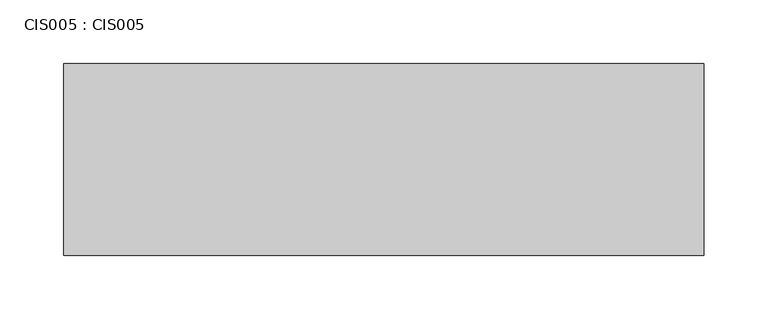
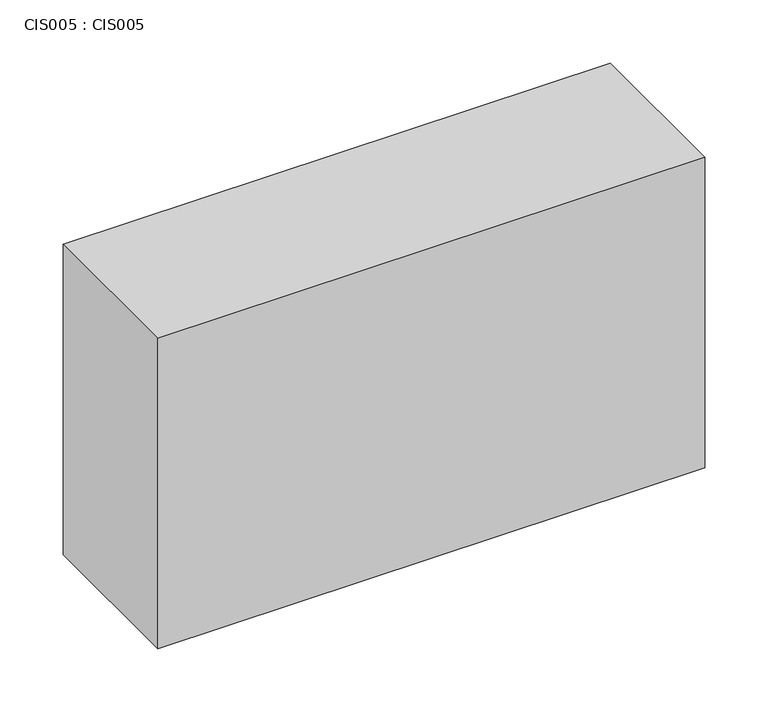
"""IFC4 building model written with IfcOpenShell, lengths in millimetres: proxy geometry, CIS005 : CIS005."""

import ifcopenshell
import ifcopenshell.guid

model = None  # the IFC model being written
_history = None  # IfcOwnerHistory: only IFC2X3 demands one
_inside = {}  # id of a spatial element -> (the spatial element, [elements in it])
_under = {}  # id of a project, library or spatial element -> (it, [spatial elements below it])
_declared = {}  # id of a project -> (the project, [libraries it declares])
_typed = {}  # id of a type object -> (the type object, [elements of that type])
_made_of = {}  # id of a material, layer set ... -> (it, [elements and type objects made of it])


def new_model(schema):
    """Start an empty IFC model of exactly this schema.

    Asked for "IFC4X3", IfcOpenShell would pick the latest addendum, in which some entities
    have other attributes; the version numbers below select the first issue.
    IFC2X3 requires an IfcOwnerHistory on every rooted entity: one is made here for all.
    """
    global model, _history
    if schema == "IFC4X3":
        model = ifcopenshell.file(schema_version=(4, 3, 0, 0))
    else:
        model = ifcopenshell.file(schema=schema)
    _inside.clear()
    _under.clear()
    _declared.clear()
    _typed.clear()
    _made_of.clear()
    _history = None
    if model.schema == "IFC2X3":
        org = make("IfcOrganization", Name="unknown")
        user = make(
            "IfcPersonAndOrganization",
            ThePerson=make("IfcPerson", FamilyName="unknown"),
            TheOrganization=org,
        )
        app = make(
            "IfcApplication",
            ApplicationDeveloper=org,
            Version="unknown",
            ApplicationFullName="unknown",
            ApplicationIdentifier="unknown",
        )
        _history = make(
            "IfcOwnerHistory",
            OwningUser=user,
            OwningApplication=app,
            ChangeAction="ADDED",
            CreationDate=0,
        )
    return model


def make(cls, **values):
    """One entity of the class cls with the attributes given. An attribute that is None is left unset."""
    return model.create_entity(
        cls, **{name: value for name, value in values.items() if value is not None}
    )


def rooted(cls, **values):
    """An entity with a GlobalId (a new one), such as an element, a storey or a relation."""
    return make(cls, GlobalId=ifcopenshell.guid.new(), OwnerHistory=_history, **values)


def si_unit(unit_type, name, prefix=None):
    """IfcSIUnit, for example si_unit("LENGTHUNIT", "METRE", prefix="MILLI")."""
    return make("IfcSIUnit", UnitType=unit_type, Prefix=prefix, Name=name)


def assignment(units):
    """IfcUnitAssignment: the units of a project."""
    return None if units is None else make("IfcUnitAssignment", Units=units)


def point(xyz):
    """IfcCartesianPoint."""
    return None if xyz is None else make("IfcCartesianPoint", Coordinates=xyz)


def direction(xyz):
    """IfcDirection."""
    return None if xyz is None else make("IfcDirection", DirectionRatios=xyz)


def frame(location, z_axis=None, x_axis=None):
    """IfcAxis2Placement3D, a coordinate frame: its origin and axes. An axis left out is left unset."""
    return make(
        "IfcAxis2Placement3D",
        Location=point(location),
        Axis=direction(z_axis),
        RefDirection=direction(x_axis),
    )


def origin():
    """The frame at (0, 0, 0) with its axes left unset."""
    return frame((0.0, 0.0, 0.0))


def origin_with_axes():
    """The frame at (0, 0, 0) with the z axis (0, 0, 1) and the x axis (1, 0, 0) written out."""
    return frame((0.0, 0.0, 0.0), z_axis=(0.0, 0.0, 1.0), x_axis=(1.0, 0.0, 0.0))


def place(relative_to, where):
    """IfcLocalPlacement: puts the frame where relative to a parent placement (None: the world)."""
    return make(
        "IfcLocalPlacement", PlacementRelTo=relative_to, RelativePlacement=where
    )


def context(
    kind, dimensions, precision=None, world=None, true_north=None, identifier=None
):
    """IfcGeometricRepresentationContext, for example the 3D "Model" context."""
    return make(
        "IfcGeometricRepresentationContext",
        ContextIdentifier=identifier,
        ContextType=kind,
        CoordinateSpaceDimension=dimensions,
        Precision=precision,
        WorldCoordinateSystem=world,
        TrueNorth=true_north,
    )


def project(units=None, contexts=None):
    """IfcProject with its units and contexts."""
    return rooted(
        "IfcProject",
        Name="project",
        RepresentationContexts=contexts,
        UnitsInContext=assignment(units),
    )


def spatial(cls, under=None, at=None, **own):
    """A site, building, storey or space (cls), placed at a placement, below another one or the project."""
    s = rooted(cls, ObjectPlacement=at, **own)
    if under is not None:
        _under.setdefault(under.id(), (under, []))[1].append(s)
    return s


def polyline(points):
    """IfcPolyline through the points."""
    return make("IfcPolyline", Points=[point(p) for p in points])


def outline(outer, holes=None, kind="AREA"):
    """IfcArbitraryClosedProfileDef: a profile drawn as a closed curve; with holes, ...WithVoids."""
    if holes is None:
        return make("IfcArbitraryClosedProfileDef", ProfileType=kind, OuterCurve=outer)
    return make(
        "IfcArbitraryProfileDefWithVoids",
        ProfileType=kind,
        OuterCurve=outer,
        InnerCurves=holes,
    )


def extrude(swept, where, along, depth):
    """IfcExtrudedAreaSolid: the profile swept, set in the frame where, extruded along a direction by depth."""
    return make(
        "IfcExtrudedAreaSolid",
        SweptArea=swept,
        Position=where,
        ExtrudedDirection=direction(along),
        Depth=depth,
    )


def shape(context_of_items, identifier, shape_type, items):
    """IfcShapeRepresentation: the items that make up one representation, for example the "Body"."""
    return make(
        "IfcShapeRepresentation",
        ContextOfItems=context_of_items,
        RepresentationIdentifier=identifier,
        RepresentationType=shape_type,
        Items=items,
    )


def source(mapping_origin, context_of_items, identifier, shape_type, items):
    """IfcRepresentationMap: a shape defined once, which mapped items show again and again."""
    return make(
        "IfcRepresentationMap",
        MappingOrigin=mapping_origin,
        MappedRepresentation=shape(context_of_items, identifier, shape_type, items),
    )


def transform(
    local_origin,
    x_axis=None,
    y_axis=None,
    z_axis=None,
    scale=None,
    scale2=None,
    scale3=None,
    uniform=True,
):
    """IfcCartesianTransformationOperator3D, or its non-uniform kind. x_axis, y_axis, z_axis: its Axis1, 2, 3."""
    if uniform:
        return make(
            "IfcCartesianTransformationOperator3D",
            Axis1=direction(x_axis),
            Axis2=direction(y_axis),
            LocalOrigin=point(local_origin),
            Scale=scale,
            Axis3=direction(z_axis),
        )
    return make(
        "IfcCartesianTransformationOperator3DnonUniform",
        Axis1=direction(x_axis),
        Axis2=direction(y_axis),
        LocalOrigin=point(local_origin),
        Scale=scale,
        Axis3=direction(z_axis),
        Scale2=scale2,
        Scale3=scale3,
    )


def mapped(mapping_source, mapping_target):
    """IfcMappedItem: shows the shape of a source again, moved by a transform."""
    return make(
        "IfcMappedItem", MappingSource=mapping_source, MappingTarget=mapping_target
    )


def made_of(thing, what):
    """Note that an element or type object is made of a material, layer set ...; save() writes the relation."""
    if what is not None:
        _made_of.setdefault(what.id(), (what, []))[1].append(thing)
    return thing


def element(
    cls,
    number,
    at=None,
    inside=None,
    cuts=None,
    type_object=None,
    material=None,
    context=None,
    identifier="Body",
    shape_type=None,
    held_by="IfcProductDefinitionShape",
    body=None,
    shapes=None,
    **own,
):
    """One element of the class cls, such as IfcWall. Its Tag is "e" and its number.

    at: its placement. inside: the storey or other place that contains it. cuts: it is an
    opening in that element (IfcRelVoidsElement). A single representation is given by context,
    identifier, shape_type and body (its items); several are given by shapes. held_by: the class
    of the entity that holds the representations. save() writes the other relations.
    """
    e = rooted(cls, Tag="e%d" % number, ObjectPlacement=at, **own)
    if body is not None:
        shapes = [shape(context, identifier, shape_type, body)]
    if shapes is not None:
        e.Representation = make(held_by, Representations=shapes)
    if inside is not None:
        _inside.setdefault(inside.id(), (inside, []))[1].append(e)
    if cuts is not None:
        rooted(
            "IfcRelVoidsElement", RelatingBuildingElement=cuts, RelatedOpeningElement=e
        )
    if type_object is not None:
        _typed.setdefault(type_object.id(), (type_object, []))[1].append(e)
    return made_of(e, material)


def aggregate(whole, parts):
    """IfcRelAggregates: a whole, such as a stair, and the parts it consists of."""
    return rooted("IfcRelAggregates", RelatingObject=whole, RelatedObjects=parts)


def save(model, path):
    """Write the relations noted so far, then the file.

    IfcRelAggregates (storeys below a building ...), IfcRelContainedInSpatialStructure (elements
    in a storey), IfcRelDefinesByType, IfcRelAssociatesMaterial and IfcRelDeclares: one each for
    every whole, place, type object, material and project.
    """
    for whole, parts in _under.values():
        aggregate(whole, parts)
    for where, things in _inside.values():
        rooted(
            "IfcRelContainedInSpatialStructure",
            RelatedElements=things,
            RelatingStructure=where,
        )
    for kind, things in _typed.values():
        rooted("IfcRelDefinesByType", RelatedObjects=things, RelatingType=kind)
    for what, things in _made_of.values():
        rooted("IfcRelAssociatesMaterial", RelatedObjects=things, RelatingMaterial=what)
    for by, libraries in _declared.values():
        rooted("IfcRelDeclares", RelatingContext=by, RelatedDefinitions=libraries)
    model.write(path)


def cis005_cis005_cfbf7b88(model_context):
    return source(origin(), model_context, "Body", "SweptSolid", [
        extrude(outline(polyline([(250.0000019, 0.0), (-250.0000019, 0.0), (-250.0000019, 150.0), (250.0000019, 150.0), (250.0000019, 0.0)])), origin_with_axes(), (0.0, 0.0, 1.0), 300.0000023),
    ])


if __name__ == "__main__":
    model = new_model("IFC4")
    model_context = context("Model", 3, world=origin())
    ifc_project = project(units=[si_unit("LENGTHUNIT", "METRE", prefix="MILLI")], contexts=[model_context])
    site = spatial("IfcSite", under=ifc_project)
    building = spatial("IfcBuilding", under=site)
    placement = place(None, origin())
    cis005_cis005_shape = cis005_cis005_cfbf7b88(model_context)
    element("IfcBuildingElementProxy", 1, Name="CIS005 : CIS005", ObjectType="CIS005 : CIS005", at=placement, inside=building, context=model_context, shape_type="MappedRepresentation", body=[
        mapped(cis005_cis005_shape, transform((0.0, 0.0, 0.0), x_axis=(1.0, 0.0, 0.0), y_axis=(0.0, 1.0, 0.0), z_axis=(0.0, 0.0, 1.0))),
    ])
    save(model, "model.ifc")
